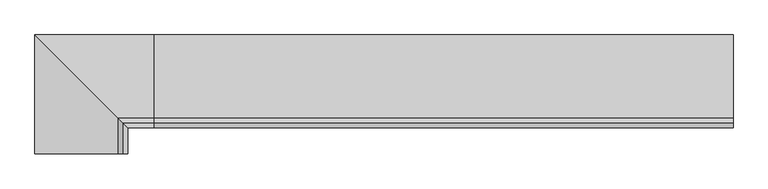
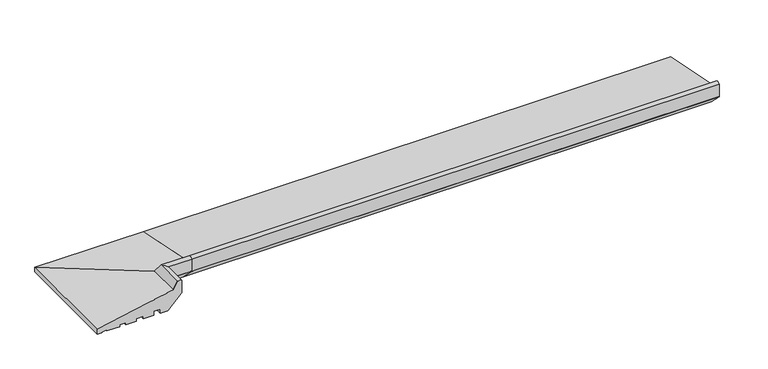
"""IFC4 building model written with IfcOpenShell, lengths in millimetres: proxy geometry."""

from ifc_helpers import new_model, si_unit, point, frame, frame_2d, origin, place, context, project, spatial, polyline, circle_curve, ellipse_curve, trimmed, segment, composite_curve, outline, extrude, source, transform, mapped, element, save
from ifc_brep_helpers import plane_surface, cylinder_surface, advanced_brep


def generic_models_30fbbd62(model_context):
    return source(origin(), model_context, "Body", "SolidModel", [
        advanced_brep(
        [(0.0, 16.9634146, 2.0714803), (0.0, 27.0536769, 0.9956448), (0.0, 27.0536769, 0.0), (0.0, 35.0, 0.0), (0.0, 35.0, 9.1871592), (0.0, -108.4970481, 38.6463845), (0.0, -116.6949035, 52.9234409), (0.0, -125.0, 51.2355304), (0.0, -125.0, 27.0076366), (0.0, -124.2741015, 25.9409736), (0.0, -98.3331279, 0.0), (0.0, -84.3282852, 0.0), (0.0, -84.3282852, 7.9636602), (0.0, -71.9994005, 7.9636602), (0.0, -71.9994005, 0.0), (0.0, -51.9659993, 0.0), (0.0, -51.9659993, 5.0), (0.0, -38.9970202, 5.0), (0.0, -38.9970202, 0.0), (0.0, -18.9957985, 0.0), (0.0, -18.9957985, 4.0148089), (0.0, -7.0449052, 4.0148089), (0.0, -7.0449052, 0.0), (0.0, 16.9634146, 0.0), (-186.9634146, -170.0, 2.0714803), (-186.9634146, -170.0, 0.0), (-162.9550948, -170.0, 0.0), (-162.9550948, -170.0, 4.0148089), (-151.0042015, -170.0, 4.0148089), (-151.0042015, -170.0, 0.0), (-131.0029798, -170.0, 0.0), (-131.0029798, -170.0, 5.0), (-118.0340007, -170.0, 5.0), (-118.0340007, -170.0, 0.0), (-98.0005995, -170.0, 0.0), (-98.0005995, -170.0, 7.9636602), (-85.6717148, -170.0, 7.9636602), (-85.6717148, -170.0, 0.0), (-71.6668721, -170.0, 0.0), (-45.7258985, -170.0, 25.9409736), (-45.0, -170.0, 27.0076366), (-45.0, -170.0, 51.2355304), (-53.3050965, -170.0, 52.9234409), (-61.5029519, -170.0, 38.6463845), (-205.0, -170.0, 9.1871592), (-205.0, -170.0, 0.0), (-197.0536769, -170.0, 0.0), (-197.0536769, -170.0, 0.9956448), (-186.9634146, 16.9634146, 2.0714803), (-197.0536769, 27.0536769, 0.9956448), (-205.0, 35.0, 0.0), (-205.0, 35.0, 9.1871592), (-197.0536769, 27.0536769, 0.0), (-61.5029519, -108.4970481, 38.6463845), (-53.3050965, -116.6949035, 52.9234409), (-45.0, -125.0, 51.2355304), (-45.0, -125.0, 27.0076366), (-45.7258985, -124.2741015, 25.9409736), (-71.6668721, -98.3331279, 0.0), (-85.6717148, -84.3282852, 0.0), (-85.6717148, -84.3282852, 7.9636602), (-98.0005995, -71.9994005, 7.9636602), (-98.0005995, -71.9994005, 0.0), (-118.0340007, -51.9659993, 0.0), (-118.0340007, -51.9659993, 5.0), (-131.0029798, -38.9970202, 5.0), (-131.0029798, -38.9970202, 0.0), (-151.0042015, -18.9957985, 0.0), (-151.0042015, -18.9957985, 4.0148089), (-162.9550948, -7.0449052, 4.0148089), (-162.9550948, -7.0449052, 0.0), (-186.9634146, 16.9634146, 0.0)],
        [
            (0, 1),
            (1, 2),
            (2, 3),
            (3, 4),
            (4, 5),
            (5, 6),
            (6, 7, circle_curve(frame((0.0, -118.9446027, 42.7168184), z_axis=(1.0, 0.0, 0.0), x_axis=(0.0, 1.0, 0.0)), 10.4516166)),
            (7, 8),
            (8, 9, circle_curve(frame((0.0, -121.8315077, 28.3835674), z_axis=(1.0, 0.0, 0.0), x_axis=(0.0, 1.0, 0.0)), 3.4543493)),
            (9, 10),
            (10, 11),
            (11, 12),
            (12, 13),
            (13, 14),
            (14, 15),
            (15, 16),
            (16, 17),
            (17, 18),
            (18, 19),
            (19, 20),
            (20, 21),
            (21, 22),
            (22, 23),
            (23, 0),
            (24, 25),
            (25, 26),
            (26, 27),
            (27, 28),
            (28, 29),
            (29, 30),
            (30, 31),
            (31, 32),
            (32, 33),
            (33, 34),
            (34, 35),
            (35, 36),
            (36, 37),
            (37, 38),
            (38, 39),
            (39, 40, circle_curve(frame((-48.1684923, -170.0, 28.3835674), z_axis=(0.0, -1.0, 0.0), x_axis=(-1.0, 0.0, 0.0)), 3.4543493)),
            (40, 41),
            (41, 42, circle_curve(frame((-51.0553973, -170.0, 42.7168184), z_axis=(0.0, -1.0, 0.0), x_axis=(-1.0, 0.0, 0.0)), 10.4516166)),
            (42, 43),
            (43, 44),
            (44, 45),
            (45, 46),
            (46, 47),
            (47, 24),
            (0, 48),
            (48, 49),
            (49, 1),
            (3, 50),
            (50, 51),
            (51, 4),
            (2, 52),
            (52, 46),
            (45, 50),
            (49, 52),
            (51, 53),
            (53, 5),
            (53, 54),
            (54, 6),
            (54, 55, ellipse_curve(frame((-51.0553973, -118.9446027, 42.7168184), z_axis=(0.7071067811865492, 0.7071067811865458, 0.0), x_axis=(0.7071067811865458, -0.7071067811865491, 0.0)), 14.780818, 10.4516166)),
            (55, 7),
            (8, 56),
            (56, 57, ellipse_curve(frame((-48.1684923, -121.8315077, 28.3835674), z_axis=(0.7071067811865492, 0.7071067811865458, 0.0), x_axis=(0.7071067811865458, -0.7071067811865491, 0.0)), 4.8851877, 3.4543493)),
            (57, 9),
            (57, 58),
            (58, 10),
            (58, 38),
            (37, 59),
            (59, 11),
            (59, 60),
            (60, 12),
            (60, 36),
            (35, 61),
            (61, 13),
            (61, 62),
            (62, 14),
            (62, 34),
            (33, 63),
            (63, 15),
            (63, 64),
            (64, 16),
            (64, 32),
            (31, 65),
            (65, 17),
            (65, 66),
            (66, 18),
            (66, 30),
            (29, 67),
            (67, 19),
            (67, 68),
            (68, 20),
            (68, 28),
            (27, 69),
            (69, 21),
            (69, 70),
            (70, 22),
            (70, 26),
            (25, 71),
            (71, 23),
            (71, 48),
            (48, 24),
            (47, 49),
            (44, 51),
            (43, 53),
            (42, 54),
            (41, 55),
            (56, 40),
            (39, 57),
            (55, 56),
        ],
        [
            plane_surface(frame((0.0, 35.0, 0.0), z_axis=(1.0, 0.0, 0.0), x_axis=(0.0, 0.0, 1.0))),
            plane_surface(frame((-205.0, -170.0, 0.0), z_axis=(0.0, -1.0, 0.0), x_axis=(0.0, 0.0, 1.0))),
            plane_surface(frame((0.0, 16.9634146, 2.0714803), z_axis=(0.0, -0.10602024100591773, -0.9943639718418237), x_axis=(-1.0, 0.0, 0.0))),
            plane_surface(frame((0.0, 35.0, 0.0), z_axis=(0.0, 1.0, 0.0), x_axis=(-1.0, 0.0, 0.0))),
            plane_surface(frame((0.0, 27.0536769, 0.0), z_axis=(0.0, 0.0, -1.0), x_axis=(-1.0, 0.0, 0.0))),
            plane_surface(frame((0.0, 27.0536769, 0.9956448), z_axis=(0.0, -1.0, 0.0), x_axis=(-1.0, 0.0, 0.0))),
            plane_surface(frame((0.0, 35.0, 9.1871592), z_axis=(0.0, 0.20110092371128924, 0.9795705275693355), x_axis=(-1.0, 0.0, 0.0))),
            plane_surface(frame((0.0, -108.4970481, 38.6463845), z_axis=(0.0, 0.867206740138978, 0.49794826022140815), x_axis=(-1.0, 0.0, 0.0))),
            cylinder_surface(frame((0.0, -118.9446027, 42.7168184), z_axis=(1.0, 0.0, 0.0), x_axis=(0.0, 1.0, 0.0)), 10.4516166),
            cylinder_surface(frame((0.0, -121.8315077, 28.3835674), z_axis=(1.0, 0.0, 0.0), x_axis=(0.0, 1.0, 0.0)), 3.4543493),
            plane_surface(frame((0.0, -124.2741015, 25.9409736), z_axis=(0.0, -0.7071067811865471, -0.707106781186548), x_axis=(-1.0, 0.0, 0.0))),
            plane_surface(frame((0.0, -98.3331279, 0.0), z_axis=(0.0, 0.0, -1.0), x_axis=(-1.0, 0.0, 0.0))),
            plane_surface(frame((0.0, -84.3282852, 0.0), z_axis=(0.0, 1.0, 0.0), x_axis=(-1.0, 0.0, 0.0))),
            plane_surface(frame((0.0, -84.3282852, 7.9636602), z_axis=(0.0, 0.0, -1.0), x_axis=(-1.0, 0.0, 0.0))),
            plane_surface(frame((0.0, -71.9994005, 7.9636602), z_axis=(0.0, -1.0, 0.0), x_axis=(-1.0, 0.0, 0.0))),
            plane_surface(frame((0.0, -71.9994005, 0.0), z_axis=(0.0, 0.0, -1.0), x_axis=(-1.0, 0.0, 0.0))),
            plane_surface(frame((0.0, -51.9659993, 0.0), z_axis=(0.0, 1.0, 0.0), x_axis=(-1.0, 0.0, 0.0))),
            plane_surface(frame((0.0, -51.9659993, 5.0), z_axis=(0.0, 0.0, -1.0), x_axis=(-1.0, 0.0, 0.0))),
            plane_surface(frame((0.0, -38.9970202, 5.0), z_axis=(0.0, -1.0, 0.0), x_axis=(-1.0, 0.0, 0.0))),
            plane_surface(frame((0.0, -38.9970202, 0.0), z_axis=(0.0, 0.0, -1.0), x_axis=(-1.0, 0.0, 0.0))),
            plane_surface(frame((0.0, -18.9957985, 0.0), z_axis=(0.0, 1.0, 0.0), x_axis=(-1.0, 0.0, 0.0))),
            plane_surface(frame((0.0, -18.9957985, 4.0148089), z_axis=(0.0, 0.0, -1.0), x_axis=(-1.0, 0.0, 0.0))),
            plane_surface(frame((0.0, -7.0449052, 4.0148089), z_axis=(0.0, -1.0, 0.0), x_axis=(-1.0, 0.0, 0.0))),
            plane_surface(frame((0.0, -7.0449052, 0.0), z_axis=(0.0, 0.0, -1.0), x_axis=(-1.0, 0.0, 0.0))),
            plane_surface(frame((0.0, 16.9634146, 0.0), z_axis=(0.0, 1.0, 0.0), x_axis=(-1.0, 0.0, 0.0))),
            plane_surface(frame((-186.9634146, 16.9634146, 2.0714803), z_axis=(0.1060202410059177, 0.0, -0.9943639718418237), x_axis=(0.0, -1.0, 0.0))),
            plane_surface(frame((-205.0, 35.0, 0.0), z_axis=(-1.0, 0.0, 0.0), x_axis=(0.0, -1.0, 0.0))),
            plane_surface(frame((-197.0536769, 27.0536769, 0.9956448), z_axis=(1.0, 0.0, 0.0), x_axis=(0.0, -1.0, 0.0))),
            plane_surface(frame((-205.0, 35.0, 9.1871592), z_axis=(-0.20110092371128918, 0.0, 0.9795705275693355), x_axis=(0.0, -1.0, 0.0))),
            plane_surface(frame((-61.5029519, -108.4970481, 38.6463845), z_axis=(-0.867206740138978, 0.0, 0.49794826022140826), x_axis=(0.0, -1.0, 0.0))),
            cylinder_surface(frame((-51.0553973, 35.0, 42.7168184), z_axis=(0.0, 1.0, 0.0), x_axis=(-1.0, 0.0, 0.0)), 10.4516166),
            cylinder_surface(frame((-48.1684923, 35.0, 28.3835674), z_axis=(0.0, 1.0, 0.0), x_axis=(-1.0, 0.0, 0.0)), 3.4543493),
            plane_surface(frame((-45.7258985, -124.2741015, 25.9409736), z_axis=(0.707106781186547, 0.0, -0.707106781186548), x_axis=(0.0, -1.0, 0.0))),
            plane_surface(frame((-85.6717148, -84.3282852, 0.0), z_axis=(-1.0, 0.0, 0.0), x_axis=(0.0, -1.0, 0.0))),
            plane_surface(frame((-98.0005995, -71.9994005, 7.9636602), z_axis=(1.0, 0.0, 0.0), x_axis=(0.0, -1.0, 0.0))),
            plane_surface(frame((-118.0340007, -51.9659993, 0.0), z_axis=(-1.0, 0.0, 0.0), x_axis=(0.0, -1.0, 0.0))),
            plane_surface(frame((-131.0029798, -38.9970202, 5.0), z_axis=(1.0, 0.0, 0.0), x_axis=(0.0, -1.0, 0.0))),
            plane_surface(frame((-151.0042015, -18.9957985, 0.0), z_axis=(-1.0, 0.0, 0.0), x_axis=(0.0, -1.0, 0.0))),
            plane_surface(frame((-162.9550948, -7.0449052, 4.0148089), z_axis=(1.0, 0.0, 0.0), x_axis=(0.0, -1.0, 0.0))),
            plane_surface(frame((-186.9634146, 16.9634146, 0.0), z_axis=(-1.0, 0.0, 0.0), x_axis=(0.0, -1.0, 0.0))),
            plane_surface(frame((0.0, -125.0, 51.2355304), z_axis=(0.0, -1.0, 0.0), x_axis=(-1.0, 0.0, 0.0))),
            plane_surface(frame((-45.0, -125.0, 51.2355304), z_axis=(1.0, 0.0, 0.0), x_axis=(0.0, -1.0, 0.0))),
        ],
        [
            (0, [[1, 2, 3, 4, 5, 6, 7, 8, 9, 10, 11, 12, 13, 14, 15, 16, 17, 18, 19, 20, 21, 22, 23, 24]]),
            (1, [[25, 26, 27, 28, 29, 30, 31, 32, 33, 34, 35, 36, 37, 38, 39, 40, 41, 42, 43, 44, 45, 46, 47, 48]]),
            (2, [[-1, 49, 50, 51]]),
            (3, [[-4, 52, 53, 54]]),
            (4, [[-3, 55, 56, -46, 57, -52]]),
            (5, [[-2, -51, 58, -55]]),
            (6, [[-5, -54, 59, 60]]),
            (7, [[-6, -60, 61, 62]]),
            (8, [[-7, -62, 63, 64]]),
            (9, [[-9, 65, 66, 67]]),
            (10, [[-10, -67, 68, 69]]),
            (11, [[-11, -69, 70, -38, 71, 72]]),
            (12, [[-12, -72, 73, 74]]),
            (13, [[-13, -74, 75, -36, 76, 77]]),
            (14, [[-14, -77, 78, 79]]),
            (15, [[-15, -79, 80, -34, 81, 82]]),
            (16, [[-16, -82, 83, 84]]),
            (17, [[-17, -84, 85, -32, 86, 87]]),
            (18, [[-18, -87, 88, 89]]),
            (19, [[-19, -89, 90, -30, 91, 92]]),
            (20, [[-20, -92, 93, 94]]),
            (21, [[-21, -94, 95, -28, 96, 97]]),
            (22, [[-22, -97, 98, 99]]),
            (23, [[-23, -99, 100, -26, 101, 102]]),
            (24, [[-24, -102, 103, -49]]),
            (25, [[-50, 104, -48, 105]]),
            (26, [[-53, -57, -45, 106]]),
            (27, [[-58, -105, -47, -56]]),
            (28, [[-59, -106, -44, 107]]),
            (29, [[-61, -107, -43, 108]]),
            (30, [[-63, -108, -42, 109]]),
            (31, [[-66, 110, -40, 111]]),
            (32, [[-68, -111, -39, -70]]),
            (33, [[-73, -71, -37, -75]]),
            (34, [[-78, -76, -35, -80]]),
            (35, [[-83, -81, -33, -85]]),
            (36, [[-88, -86, -31, -90]]),
            (37, [[-93, -91, -29, -95]]),
            (38, [[-98, -96, -27, -100]]),
            (39, [[-103, -101, -25, -104]]),
            (40, [[-8, -64, 112, -65]]),
            (41, [[-112, -109, -41, -110]]),
        ],
    ),
        extrude(outline(composite_curve([segment(polyline([(16.9634146, 2.0714803), (16.9634146, 0.0), (-7.0449052, 0.0), (-7.0449052, 4.0148089), (-18.9957985, 4.0148089), (-18.9957985, 0.0), (-38.9970202, 0.0), (-38.9970202, 5.0), (-51.9659993, 5.0), (-51.9659993, 0.0), (-71.9994005, 0.0), (-71.9994005, 7.9636602), (-84.3282852, 7.9636602), (-84.3282852, 0.0), (-98.3331279, 0.0), (-124.2741015, 25.9409736)]), True, "CONTINUOUS"), segment(trimmed(circle_curve(frame_2d((-121.8315077, 28.3835674)), 3.4543493), [point((-124.2741015, 25.9409736))], [point((-125.0, 27.0076366))], False, "CARTESIAN"), True, "CONTINUOUS"), segment(polyline([(-125.0, 27.0076366), (-125.0, 51.2355304)]), True, "CONTINUOUS"), segment(trimmed(circle_curve(frame_2d((-118.9446027, 42.7168184)), 10.4516166), [point((-125.0, 51.2355304))], [point((-116.6949035, 52.9234409))], False, "CARTESIAN"), True, "CONTINUOUS"), segment(polyline([(-116.6949035, 52.9234409), (-108.4970481, 38.6463845), (35.0, 9.1871592), (35.0, 0.0), (27.0536769, 0.0), (27.0536769, 0.9956448), (16.9634146, 2.0714803)]), True, "CONTINUOUS")], self_intersect=False)), frame((0.0, 0.0, 0.0), z_axis=(1.0, 0.0, 0.0), x_axis=(0.0, 1.0, 0.0)), (0.0, 0.0, 1.0), 1000.0),
    ])


if __name__ == "__main__":
    model = new_model("IFC4")
    model_context = context("Model", 3, world=origin())
    ifc_project = project(units=[si_unit("LENGTHUNIT", "METRE", prefix="MILLI")], contexts=[model_context])
    site = spatial("IfcSite", under=ifc_project)
    building = spatial("IfcBuilding", under=site)
    placement = place(None, origin())
    generic_models_shape = generic_models_30fbbd62(model_context)
    element("IfcBuildingElementProxy", 1, Name="Generic Models", at=placement, inside=building, context=model_context, shape_type="MappedRepresentation", body=[
        mapped(generic_models_shape, transform((0.0, 0.0, 0.0), x_axis=(1.0, 0.0, 0.0), y_axis=(0.0, 1.0, 0.0), z_axis=(0.0, 0.0, 1.0))),
    ])
    save(model, "model.ifc")
